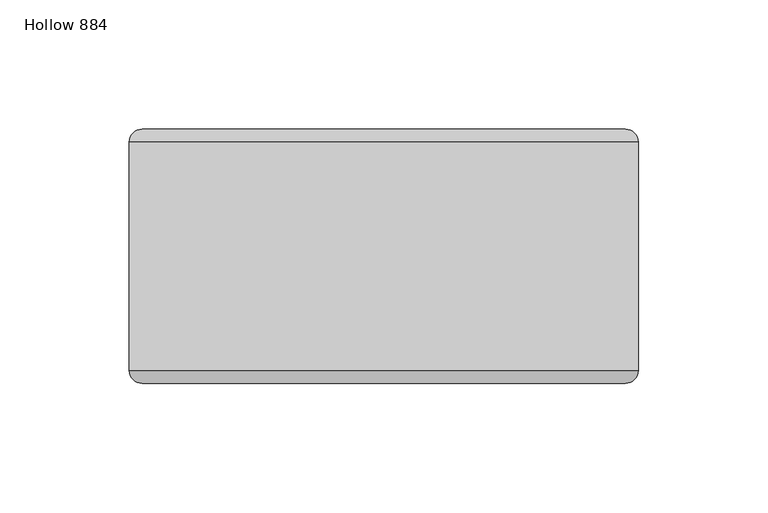
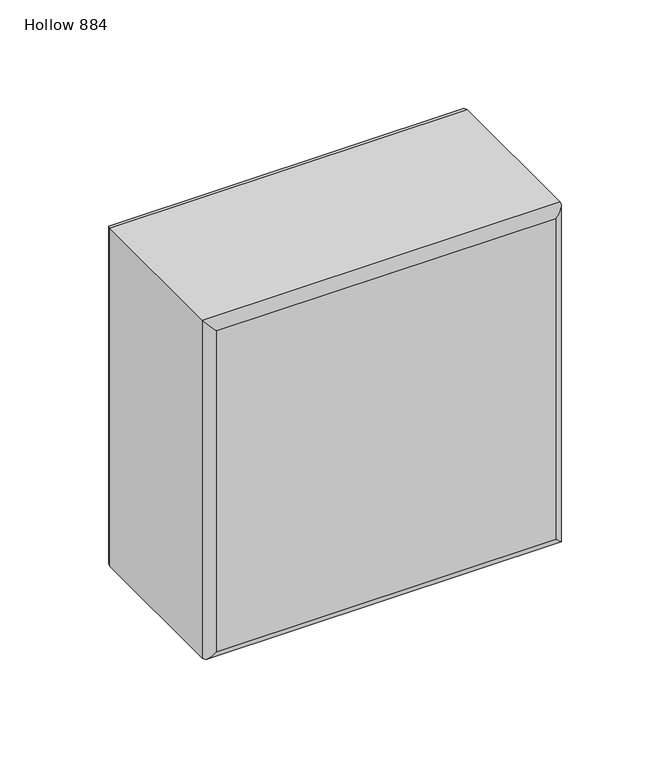
"""IFC4 building model written with IfcOpenShell, lengths in millimetres: plate geometry, Hollow 884."""

import ifcopenshell
import ifcopenshell.guid

model = None  # the IFC model being written
_history = None  # IfcOwnerHistory: only IFC2X3 demands one
_inside = {}  # id of a spatial element -> (the spatial element, [elements in it])
_under = {}  # id of a project, library or spatial element -> (it, [spatial elements below it])
_declared = {}  # id of a project -> (the project, [libraries it declares])
_typed = {}  # id of a type object -> (the type object, [elements of that type])
_made_of = {}  # id of a material, layer set ... -> (it, [elements and type objects made of it])


def new_model(schema):
    """Start an empty IFC model of exactly this schema.

    Asked for "IFC4X3", IfcOpenShell would pick the latest addendum, in which some entities
    have other attributes; the version numbers below select the first issue.
    IFC2X3 requires an IfcOwnerHistory on every rooted entity: one is made here for all.
    """
    global model, _history
    if schema == "IFC4X3":
        model = ifcopenshell.file(schema_version=(4, 3, 0, 0))
    else:
        model = ifcopenshell.file(schema=schema)
    _inside.clear()
    _under.clear()
    _declared.clear()
    _typed.clear()
    _made_of.clear()
    _history = None
    if model.schema == "IFC2X3":
        org = make("IfcOrganization", Name="unknown")
        user = make(
            "IfcPersonAndOrganization",
            ThePerson=make("IfcPerson", FamilyName="unknown"),
            TheOrganization=org,
        )
        app = make(
            "IfcApplication",
            ApplicationDeveloper=org,
            Version="unknown",
            ApplicationFullName="unknown",
            ApplicationIdentifier="unknown",
        )
        _history = make(
            "IfcOwnerHistory",
            OwningUser=user,
            OwningApplication=app,
            ChangeAction="ADDED",
            CreationDate=0,
        )
    return model


def make(cls, **values):
    """One entity of the class cls with the attributes given. An attribute that is None is left unset."""
    return model.create_entity(
        cls, **{name: value for name, value in values.items() if value is not None}
    )


def rooted(cls, **values):
    """An entity with a GlobalId (a new one), such as an element, a storey or a relation."""
    return make(cls, GlobalId=ifcopenshell.guid.new(), OwnerHistory=_history, **values)


def si_unit(unit_type, name, prefix=None):
    """IfcSIUnit, for example si_unit("LENGTHUNIT", "METRE", prefix="MILLI")."""
    return make("IfcSIUnit", UnitType=unit_type, Prefix=prefix, Name=name)


def assignment(units):
    """IfcUnitAssignment: the units of a project."""
    return None if units is None else make("IfcUnitAssignment", Units=units)


def point(xyz):
    """IfcCartesianPoint."""
    return None if xyz is None else make("IfcCartesianPoint", Coordinates=xyz)


def direction(xyz):
    """IfcDirection."""
    return None if xyz is None else make("IfcDirection", DirectionRatios=xyz)


def frame(location, z_axis=None, x_axis=None):
    """IfcAxis2Placement3D, a coordinate frame: its origin and axes. An axis left out is left unset."""
    return make(
        "IfcAxis2Placement3D",
        Location=point(location),
        Axis=direction(z_axis),
        RefDirection=direction(x_axis),
    )


def origin():
    """The frame at (0, 0, 0) with its axes left unset."""
    return frame((0.0, 0.0, 0.0))


def place(relative_to, where):
    """IfcLocalPlacement: puts the frame where relative to a parent placement (None: the world)."""
    return make(
        "IfcLocalPlacement", PlacementRelTo=relative_to, RelativePlacement=where
    )


def context(
    kind, dimensions, precision=None, world=None, true_north=None, identifier=None
):
    """IfcGeometricRepresentationContext, for example the 3D "Model" context."""
    return make(
        "IfcGeometricRepresentationContext",
        ContextIdentifier=identifier,
        ContextType=kind,
        CoordinateSpaceDimension=dimensions,
        Precision=precision,
        WorldCoordinateSystem=world,
        TrueNorth=true_north,
    )


def project(units=None, contexts=None):
    """IfcProject with its units and contexts."""
    return rooted(
        "IfcProject",
        Name="project",
        RepresentationContexts=contexts,
        UnitsInContext=assignment(units),
    )


def spatial(cls, under=None, at=None, **own):
    """A site, building, storey or space (cls), placed at a placement, below another one or the project."""
    s = rooted(cls, ObjectPlacement=at, **own)
    if under is not None:
        _under.setdefault(under.id(), (under, []))[1].append(s)
    return s


def ellipse_curve(where, semi_axis1, semi_axis2):
    """IfcEllipse in the frame where."""
    return make(
        "IfcEllipse", Position=where, SemiAxis1=semi_axis1, SemiAxis2=semi_axis2
    )


def shape(context_of_items, identifier, shape_type, items):
    """IfcShapeRepresentation: the items that make up one representation, for example the "Body"."""
    return make(
        "IfcShapeRepresentation",
        ContextOfItems=context_of_items,
        RepresentationIdentifier=identifier,
        RepresentationType=shape_type,
        Items=items,
    )


def source(mapping_origin, context_of_items, identifier, shape_type, items):
    """IfcRepresentationMap: a shape defined once, which mapped items show again and again."""
    return make(
        "IfcRepresentationMap",
        MappingOrigin=mapping_origin,
        MappedRepresentation=shape(context_of_items, identifier, shape_type, items),
    )


def transform(
    local_origin,
    x_axis=None,
    y_axis=None,
    z_axis=None,
    scale=None,
    scale2=None,
    scale3=None,
    uniform=True,
):
    """IfcCartesianTransformationOperator3D, or its non-uniform kind. x_axis, y_axis, z_axis: its Axis1, 2, 3."""
    if uniform:
        return make(
            "IfcCartesianTransformationOperator3D",
            Axis1=direction(x_axis),
            Axis2=direction(y_axis),
            LocalOrigin=point(local_origin),
            Scale=scale,
            Axis3=direction(z_axis),
        )
    return make(
        "IfcCartesianTransformationOperator3DnonUniform",
        Axis1=direction(x_axis),
        Axis2=direction(y_axis),
        LocalOrigin=point(local_origin),
        Scale=scale,
        Axis3=direction(z_axis),
        Scale2=scale2,
        Scale3=scale3,
    )


def mapped(mapping_source, mapping_target):
    """IfcMappedItem: shows the shape of a source again, moved by a transform."""
    return make(
        "IfcMappedItem", MappingSource=mapping_source, MappingTarget=mapping_target
    )


def made_of(thing, what):
    """Note that an element or type object is made of a material, layer set ...; save() writes the relation."""
    if what is not None:
        _made_of.setdefault(what.id(), (what, []))[1].append(thing)
    return thing


def element(
    cls,
    number,
    at=None,
    inside=None,
    cuts=None,
    type_object=None,
    material=None,
    context=None,
    identifier="Body",
    shape_type=None,
    held_by="IfcProductDefinitionShape",
    body=None,
    shapes=None,
    **own,
):
    """One element of the class cls, such as IfcWall. Its Tag is "e" and its number.

    at: its placement. inside: the storey or other place that contains it. cuts: it is an
    opening in that element (IfcRelVoidsElement). A single representation is given by context,
    identifier, shape_type and body (its items); several are given by shapes. held_by: the class
    of the entity that holds the representations. save() writes the other relations.
    """
    e = rooted(cls, Tag="e%d" % number, ObjectPlacement=at, **own)
    if body is not None:
        shapes = [shape(context, identifier, shape_type, body)]
    if shapes is not None:
        e.Representation = make(held_by, Representations=shapes)
    if inside is not None:
        _inside.setdefault(inside.id(), (inside, []))[1].append(e)
    if cuts is not None:
        rooted(
            "IfcRelVoidsElement", RelatingBuildingElement=cuts, RelatedOpeningElement=e
        )
    if type_object is not None:
        _typed.setdefault(type_object.id(), (type_object, []))[1].append(e)
    return made_of(e, material)


def aggregate(whole, parts):
    """IfcRelAggregates: a whole, such as a stair, and the parts it consists of."""
    return rooted("IfcRelAggregates", RelatingObject=whole, RelatedObjects=parts)


def save(model, path):
    """Write the relations noted so far, then the file.

    IfcRelAggregates (storeys below a building ...), IfcRelContainedInSpatialStructure (elements
    in a storey), IfcRelDefinesByType, IfcRelAssociatesMaterial and IfcRelDeclares: one each for
    every whole, place, type object, material and project.
    """
    for whole, parts in _under.values():
        aggregate(whole, parts)
    for where, things in _inside.values():
        rooted(
            "IfcRelContainedInSpatialStructure",
            RelatedElements=things,
            RelatingStructure=where,
        )
    for kind, things in _typed.values():
        rooted("IfcRelDefinesByType", RelatedObjects=things, RelatingType=kind)
    for what, things in _made_of.values():
        rooted("IfcRelAssociatesMaterial", RelatedObjects=things, RelatingMaterial=what)
    for by, libraries in _declared.values():
        rooted("IfcRelDeclares", RelatingContext=by, RelatedDefinitions=libraries)
    model.write(path)


def plane_surface(at):
    """IfcPlane: the flat surface through the origin of the frame at, square to its z axis."""
    return make("IfcPlane", Position=at)


def cylinder_surface(at, radius):
    """IfcCylindricalSurface: all points at the distance radius from the z axis of the frame at."""
    return make("IfcCylindricalSurface", Position=at, Radius=radius)


def advanced_brep(points, edges, surfaces, faces):
    """IfcAdvancedBrep: a solid bounded by faces that lie on surfaces and meet in shared edges.

    An edge is (start, end): straight between two places in points (the first is 0);
    or (start, end, curve); or (start, end, curve, False) where it runs against its curve.
    A face is (place in surfaces, loops), or (place, loops, False) where it looks against
    its surface's normal. A loop lists edges by number (the first is 1), with a minus sign
    where the edge is run from its end to its start. The first loop is the outer one.
    """
    corners = [point(p) for p in points]
    vertices = [make("IfcVertexPoint", VertexGeometry=c) for c in corners]
    made = []
    for start, end, *more in edges:
        made.append(
            make(
                "IfcEdgeCurve",
                EdgeStart=vertices[start],
                EdgeEnd=vertices[end],
                EdgeGeometry=more[0] if more else make("IfcPolyline", Points=[corners[start], corners[end]]),
                SameSense=more[1] if len(more) > 1 else True,
            )
        )
    hull = []
    for where, loops, *sense in faces:
        bounds = []
        for j, loop in enumerate(loops):
            ring = [make("IfcOrientedEdge", EdgeElement=made[abs(k) - 1], Orientation=k > 0) for k in loop]
            bounds.append(
                make(
                    "IfcFaceOuterBound" if j == 0 else "IfcFaceBound",
                    Bound=make("IfcEdgeLoop", EdgeList=ring),
                    Orientation=True,
                )
            )
        hull.append(make("IfcAdvancedFace", Bounds=bounds, FaceSurface=surfaces[where], SameSense=sense[0] if sense else True))
    return make("IfcAdvancedBrep", Outer=make("IfcClosedShell", CfsFaces=hull))


def hollow_884_02ca05bd(model_context):
    return source(origin(), model_context, "Body", "AdvancedBrep", [
        advanced_brep(
        [(-98.4249998, -44.2, 197.0), (98.5750002, -44.2, 197.0), (98.5750002, 44.2, 197.0), (-98.4249998, 44.2, 197.0), (98.5750002, -44.2, 0.0), (-98.4249998, -44.2, 0.0), (-98.4249998, 44.2, 0.0), (98.5750002, 44.2, 0.0), (-93.4249998, -49.2, 5.0), (93.5750002, -49.2, 5.0), (93.5750002, -49.2, 192.0), (-93.4249998, -49.2, 192.0), (93.5750002, 49.2, 5.0), (-93.4249998, 49.2, 5.0), (-93.4249998, 49.2, 192.0), (93.5750002, 49.2, 192.0)],
        [
            (0, 1),
            (1, 2),
            (2, 3),
            (3, 0),
            (4, 5),
            (5, 6),
            (6, 7),
            (7, 4),
            (8, 9),
            (9, 10),
            (10, 11),
            (11, 8),
            (1, 4),
            (7, 2),
            (12, 13),
            (13, 14),
            (14, 15),
            (15, 12),
            (5, 0),
            (3, 6),
            (4, 9, ellipse_curve(frame((93.5750002, -44.2, 5.0), z_axis=(-0.7071067811865475, 0.0, -0.7071067811865475), x_axis=(0.7071067811865476, 0.0, -0.7071067811865474)), 7.0710678, 5.0)),
            (8, 5, ellipse_curve(frame((-93.4249998, -44.2, 5.0), z_axis=(0.7071067811865475, 0.0, -0.7071067811865475), x_axis=(0.7071067811865476, 0.0, 0.7071067811865474)), 7.0710678, 5.0)),
            (1, 10, ellipse_curve(frame((93.5750002, -44.2, 192.0), z_axis=(0.7071067811865475, 0.0, -0.7071067811865475), x_axis=(0.7071067811865474, 0.0, 0.7071067811865476)), 7.0710678, 5.0)),
            (0, 11, ellipse_curve(frame((-93.4249998, -44.2, 192.0), z_axis=(0.7071067811865475, 0.0, 0.7071067811865475), x_axis=(-0.7071067811865476, 0.0, 0.7071067811865474)), 7.0710678, 5.0)),
            (12, 7, ellipse_curve(frame((93.5750002, 44.2, 5.0), z_axis=(-0.7071067811865475, 0.0, -0.7071067811865475), x_axis=(0.7071067811865476, 0.0, -0.7071067811865474)), 7.0710678, 5.0)),
            (6, 13, ellipse_curve(frame((-93.4249998, 44.2, 5.0), z_axis=(0.7071067811865475, 0.0, -0.7071067811865475), x_axis=(0.7071067811865476, 0.0, 0.7071067811865474)), 7.0710678, 5.0)),
            (15, 2, ellipse_curve(frame((93.5750002, 44.2, 192.0), z_axis=(0.7071067811865475, 0.0, -0.7071067811865475), x_axis=(0.7071067811865474, 0.0, 0.7071067811865476)), 7.0710678, 5.0)),
            (14, 3, ellipse_curve(frame((-93.4249998, 44.2, 192.0), z_axis=(0.7071067811865475, 0.0, 0.7071067811865475), x_axis=(-0.7071067811865476, 0.0, 0.7071067811865474)), 7.0710678, 5.0)),
        ],
        [
            plane_surface(frame((-98.4249998, -49.2, 197.0), z_axis=(0.0, 0.0, 1.0), x_axis=(1.0, 0.0, 0.0))),
            plane_surface(frame((-98.4249998, -49.2, 0.0), z_axis=(0.0, 0.0, -1.0), x_axis=(-1.0, 0.0, 0.0))),
            plane_surface(frame((-98.4249998, -49.2, 197.0), z_axis=(0.0, -1.0, 0.0), x_axis=(0.0, 0.0, -1.0))),
            plane_surface(frame((98.5750002, -49.2, 197.0), z_axis=(1.0, 0.0, 0.0), x_axis=(0.0, 0.0, -1.0))),
            plane_surface(frame((98.5750002, 49.2, 197.0), z_axis=(0.0, 1.0, 0.0), x_axis=(0.0, 0.0, -1.0))),
            plane_surface(frame((-98.4249998, 49.2, 197.0), z_axis=(-1.0, 0.0, 0.0), x_axis=(0.0, 0.0, -1.0))),
            cylinder_surface(frame((-98.4249998, -44.2, 5.0), z_axis=(1.0, 0.0, 0.0), x_axis=(0.0, 0.0, -1.0)), 5.0),
            cylinder_surface(frame((93.5750002, -44.2, 0.0), z_axis=(0.0, 0.0, 1.0), x_axis=(1.0, 0.0, 0.0)), 5.0),
            cylinder_surface(frame((98.5750002, -44.2, 192.0), z_axis=(-1.0, 0.0, 0.0), x_axis=(0.0, 0.0, 1.0)), 5.0),
            cylinder_surface(frame((-93.4249998, -44.2, 197.0), z_axis=(0.0, 0.0, -1.0), x_axis=(-1.0, 0.0, 0.0)), 5.0),
            cylinder_surface(frame((-98.4249998, 44.2, 5.0), z_axis=(1.0, 0.0, 0.0), x_axis=(0.0, 0.0, -1.0)), 5.0),
            cylinder_surface(frame((93.5750002, 44.2, 0.0), z_axis=(0.0, 0.0, 1.0), x_axis=(1.0, 0.0, 0.0)), 5.0),
            cylinder_surface(frame((98.5750002, 44.2, 192.0), z_axis=(-1.0, 0.0, 0.0), x_axis=(0.0, 0.0, 1.0)), 5.0),
            cylinder_surface(frame((-93.4249998, 44.2, 197.0), z_axis=(0.0, 0.0, -1.0), x_axis=(-1.0, 0.0, 0.0)), 5.0),
        ],
        [
            (0, [[1, 2, 3, 4]]),
            (1, [[5, 6, 7, 8]]),
            (2, [[9, 10, 11, 12]]),
            (3, [[13, -8, 14, -2]]),
            (4, [[15, 16, 17, 18]]),
            (5, [[19, -4, 20, -6]]),
            (6, [[21, -9, 22, -5]]),
            (7, [[-21, -13, 23, -10]]),
            (8, [[-23, -1, 24, -11]]),
            (9, [[-22, -12, -24, -19]]),
            (10, [[25, -7, 26, -15]]),
            (11, [[-25, -18, 27, -14]]),
            (12, [[-27, -17, 28, -3]]),
            (13, [[-26, -20, -28, -16]]),
        ],
    ),
    ])


if __name__ == "__main__":
    model = new_model("IFC4")
    model_context = context("Model", 3, world=origin())
    ifc_project = project(units=[si_unit("LENGTHUNIT", "METRE", prefix="MILLI")], contexts=[model_context])
    site = spatial("IfcSite", under=ifc_project)
    building = spatial("IfcBuilding", under=site)
    placement = place(None, origin())
    hollow_884_shape = hollow_884_02ca05bd(model_context)
    element("IfcPlate", 1, ObjectType="Hollow 884", at=placement, inside=building, context=model_context, shape_type="MappedRepresentation", body=[
        mapped(hollow_884_shape, transform((0.0, 0.0, 0.0), x_axis=(1.0, 0.0, 0.0), y_axis=(0.0, 1.0, 0.0), z_axis=(0.0, 0.0, 1.0))),
    ])
    save(model, "model.ifc")
